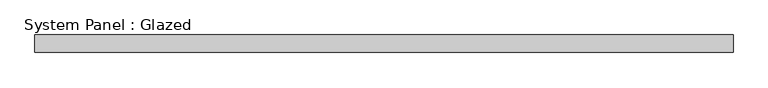
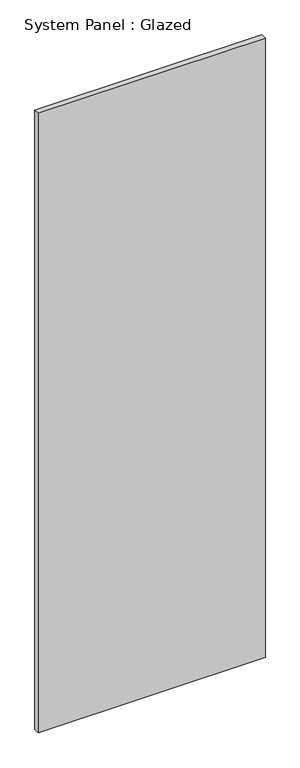
"""IFC4 building model written with IfcOpenShell, lengths in millimetres: plate geometry, System Panel : Glazed."""

import ifcopenshell
import ifcopenshell.guid

model = None  # the IFC model being written
_history = None  # IfcOwnerHistory: only IFC2X3 demands one
_inside = {}  # id of a spatial element -> (the spatial element, [elements in it])
_under = {}  # id of a project, library or spatial element -> (it, [spatial elements below it])
_declared = {}  # id of a project -> (the project, [libraries it declares])
_typed = {}  # id of a type object -> (the type object, [elements of that type])
_made_of = {}  # id of a material, layer set ... -> (it, [elements and type objects made of it])


def new_model(schema):
    """Start an empty IFC model of exactly this schema.

    Asked for "IFC4X3", IfcOpenShell would pick the latest addendum, in which some entities
    have other attributes; the version numbers below select the first issue.
    IFC2X3 requires an IfcOwnerHistory on every rooted entity: one is made here for all.
    """
    global model, _history
    if schema == "IFC4X3":
        model = ifcopenshell.file(schema_version=(4, 3, 0, 0))
    else:
        model = ifcopenshell.file(schema=schema)
    _inside.clear()
    _under.clear()
    _declared.clear()
    _typed.clear()
    _made_of.clear()
    _history = None
    if model.schema == "IFC2X3":
        org = make("IfcOrganization", Name="unknown")
        user = make(
            "IfcPersonAndOrganization",
            ThePerson=make("IfcPerson", FamilyName="unknown"),
            TheOrganization=org,
        )
        app = make(
            "IfcApplication",
            ApplicationDeveloper=org,
            Version="unknown",
            ApplicationFullName="unknown",
            ApplicationIdentifier="unknown",
        )
        _history = make(
            "IfcOwnerHistory",
            OwningUser=user,
            OwningApplication=app,
            ChangeAction="ADDED",
            CreationDate=0,
        )
    return model


def make(cls, **values):
    """One entity of the class cls with the attributes given. An attribute that is None is left unset."""
    return model.create_entity(
        cls, **{name: value for name, value in values.items() if value is not None}
    )


def rooted(cls, **values):
    """An entity with a GlobalId (a new one), such as an element, a storey or a relation."""
    return make(cls, GlobalId=ifcopenshell.guid.new(), OwnerHistory=_history, **values)


def si_unit(unit_type, name, prefix=None):
    """IfcSIUnit, for example si_unit("LENGTHUNIT", "METRE", prefix="MILLI")."""
    return make("IfcSIUnit", UnitType=unit_type, Prefix=prefix, Name=name)


def assignment(units):
    """IfcUnitAssignment: the units of a project."""
    return None if units is None else make("IfcUnitAssignment", Units=units)


def point(xyz):
    """IfcCartesianPoint."""
    return None if xyz is None else make("IfcCartesianPoint", Coordinates=xyz)


def direction(xyz):
    """IfcDirection."""
    return None if xyz is None else make("IfcDirection", DirectionRatios=xyz)


def frame(location, z_axis=None, x_axis=None):
    """IfcAxis2Placement3D, a coordinate frame: its origin and axes. An axis left out is left unset."""
    return make(
        "IfcAxis2Placement3D",
        Location=point(location),
        Axis=direction(z_axis),
        RefDirection=direction(x_axis),
    )


def origin():
    """The frame at (0, 0, 0) with its axes left unset."""
    return frame((0.0, 0.0, 0.0))


def origin_with_axes():
    """The frame at (0, 0, 0) with the z axis (0, 0, 1) and the x axis (1, 0, 0) written out."""
    return frame((0.0, 0.0, 0.0), z_axis=(0.0, 0.0, 1.0), x_axis=(1.0, 0.0, 0.0))


def place(relative_to, where):
    """IfcLocalPlacement: puts the frame where relative to a parent placement (None: the world)."""
    return make(
        "IfcLocalPlacement", PlacementRelTo=relative_to, RelativePlacement=where
    )


def context(
    kind, dimensions, precision=None, world=None, true_north=None, identifier=None
):
    """IfcGeometricRepresentationContext, for example the 3D "Model" context."""
    return make(
        "IfcGeometricRepresentationContext",
        ContextIdentifier=identifier,
        ContextType=kind,
        CoordinateSpaceDimension=dimensions,
        Precision=precision,
        WorldCoordinateSystem=world,
        TrueNorth=true_north,
    )


def project(units=None, contexts=None):
    """IfcProject with its units and contexts."""
    return rooted(
        "IfcProject",
        Name="project",
        RepresentationContexts=contexts,
        UnitsInContext=assignment(units),
    )


def spatial(cls, under=None, at=None, **own):
    """A site, building, storey or space (cls), placed at a placement, below another one or the project."""
    s = rooted(cls, ObjectPlacement=at, **own)
    if under is not None:
        _under.setdefault(under.id(), (under, []))[1].append(s)
    return s


def polyline(points):
    """IfcPolyline through the points."""
    return make("IfcPolyline", Points=[point(p) for p in points])


def outline(outer, holes=None, kind="AREA"):
    """IfcArbitraryClosedProfileDef: a profile drawn as a closed curve; with holes, ...WithVoids."""
    if holes is None:
        return make("IfcArbitraryClosedProfileDef", ProfileType=kind, OuterCurve=outer)
    return make(
        "IfcArbitraryProfileDefWithVoids",
        ProfileType=kind,
        OuterCurve=outer,
        InnerCurves=holes,
    )


def extrude(swept, where, along, depth):
    """IfcExtrudedAreaSolid: the profile swept, set in the frame where, extruded along a direction by depth."""
    return make(
        "IfcExtrudedAreaSolid",
        SweptArea=swept,
        Position=where,
        ExtrudedDirection=direction(along),
        Depth=depth,
    )


def shape(context_of_items, identifier, shape_type, items):
    """IfcShapeRepresentation: the items that make up one representation, for example the "Body"."""
    return make(
        "IfcShapeRepresentation",
        ContextOfItems=context_of_items,
        RepresentationIdentifier=identifier,
        RepresentationType=shape_type,
        Items=items,
    )


def source(mapping_origin, context_of_items, identifier, shape_type, items):
    """IfcRepresentationMap: a shape defined once, which mapped items show again and again."""
    return make(
        "IfcRepresentationMap",
        MappingOrigin=mapping_origin,
        MappedRepresentation=shape(context_of_items, identifier, shape_type, items),
    )


def transform(
    local_origin,
    x_axis=None,
    y_axis=None,
    z_axis=None,
    scale=None,
    scale2=None,
    scale3=None,
    uniform=True,
):
    """IfcCartesianTransformationOperator3D, or its non-uniform kind. x_axis, y_axis, z_axis: its Axis1, 2, 3."""
    if uniform:
        return make(
            "IfcCartesianTransformationOperator3D",
            Axis1=direction(x_axis),
            Axis2=direction(y_axis),
            LocalOrigin=point(local_origin),
            Scale=scale,
            Axis3=direction(z_axis),
        )
    return make(
        "IfcCartesianTransformationOperator3DnonUniform",
        Axis1=direction(x_axis),
        Axis2=direction(y_axis),
        LocalOrigin=point(local_origin),
        Scale=scale,
        Axis3=direction(z_axis),
        Scale2=scale2,
        Scale3=scale3,
    )


def mapped(mapping_source, mapping_target):
    """IfcMappedItem: shows the shape of a source again, moved by a transform."""
    return make(
        "IfcMappedItem", MappingSource=mapping_source, MappingTarget=mapping_target
    )


def made_of(thing, what):
    """Note that an element or type object is made of a material, layer set ...; save() writes the relation."""
    if what is not None:
        _made_of.setdefault(what.id(), (what, []))[1].append(thing)
    return thing


def element(
    cls,
    number,
    at=None,
    inside=None,
    cuts=None,
    type_object=None,
    material=None,
    context=None,
    identifier="Body",
    shape_type=None,
    held_by="IfcProductDefinitionShape",
    body=None,
    shapes=None,
    **own,
):
    """One element of the class cls, such as IfcWall. Its Tag is "e" and its number.

    at: its placement. inside: the storey or other place that contains it. cuts: it is an
    opening in that element (IfcRelVoidsElement). A single representation is given by context,
    identifier, shape_type and body (its items); several are given by shapes. held_by: the class
    of the entity that holds the representations. save() writes the other relations.
    """
    e = rooted(cls, Tag="e%d" % number, ObjectPlacement=at, **own)
    if body is not None:
        shapes = [shape(context, identifier, shape_type, body)]
    if shapes is not None:
        e.Representation = make(held_by, Representations=shapes)
    if inside is not None:
        _inside.setdefault(inside.id(), (inside, []))[1].append(e)
    if cuts is not None:
        rooted(
            "IfcRelVoidsElement", RelatingBuildingElement=cuts, RelatedOpeningElement=e
        )
    if type_object is not None:
        _typed.setdefault(type_object.id(), (type_object, []))[1].append(e)
    return made_of(e, material)


def aggregate(whole, parts):
    """IfcRelAggregates: a whole, such as a stair, and the parts it consists of."""
    return rooted("IfcRelAggregates", RelatingObject=whole, RelatedObjects=parts)


def save(model, path):
    """Write the relations noted so far, then the file.

    IfcRelAggregates (storeys below a building ...), IfcRelContainedInSpatialStructure (elements
    in a storey), IfcRelDefinesByType, IfcRelAssociatesMaterial and IfcRelDeclares: one each for
    every whole, place, type object, material and project.
    """
    for whole, parts in _under.values():
        aggregate(whole, parts)
    for where, things in _inside.values():
        rooted(
            "IfcRelContainedInSpatialStructure",
            RelatedElements=things,
            RelatingStructure=where,
        )
    for kind, things in _typed.values():
        rooted("IfcRelDefinesByType", RelatedObjects=things, RelatingType=kind)
    for what, things in _made_of.values():
        rooted("IfcRelAssociatesMaterial", RelatedObjects=things, RelatingMaterial=what)
    for by, libraries in _declared.values():
        rooted("IfcRelDeclares", RelatingContext=by, RelatedDefinitions=libraries)
    model.write(path)


def system_panel_glazed_06557e12(model_context):
    return source(origin(), model_context, "Body", "SweptSolid", [
        extrude(outline(polyline([(508.0, -12.7), (-508.0, -12.7), (-508.0, 12.7), (508.0, 12.7), (508.0, -12.7)])), origin_with_axes(), (0.0, 0.0, 1.0), 2927.3190798),
    ])


if __name__ == "__main__":
    model = new_model("IFC4")
    model_context = context("Model", 3, world=origin())
    ifc_project = project(units=[si_unit("LENGTHUNIT", "METRE", prefix="MILLI")], contexts=[model_context])
    site = spatial("IfcSite", under=ifc_project)
    building = spatial("IfcBuilding", under=site)
    placement = place(None, origin())
    system_panel_glazed_shape = system_panel_glazed_06557e12(model_context)
    element("IfcPlate", 1, ObjectType="System Panel : Glazed", at=placement, inside=building, context=model_context, shape_type="MappedRepresentation", body=[
        mapped(system_panel_glazed_shape, transform((0.0, 0.0, 0.0), x_axis=(1.0, 0.0, 0.0), y_axis=(0.0, 1.0, 0.0), z_axis=(0.0, 0.0, 1.0))),
    ])
    save(model, "model.ifc")
